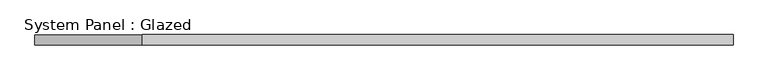
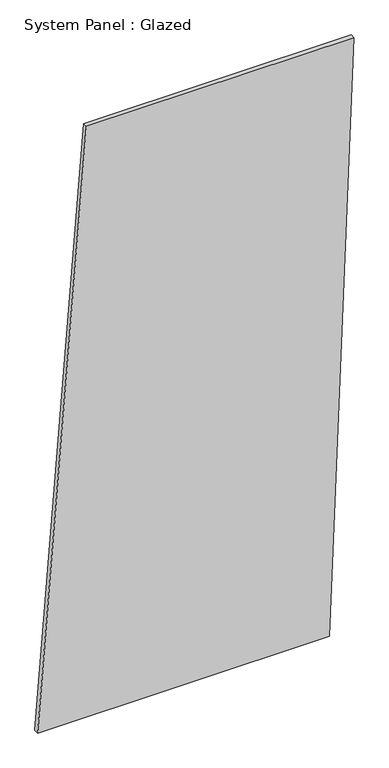
"""IFC4 building model written with IfcOpenShell, lengths in millimetres: plate geometry, System Panel : Glazed."""

from ifc_helpers import new_model, si_unit, frame, origin, place, context, project, spatial, polyline, outline, extrude, source, transform, mapped, element, save


def system_panel_glazed_f7552184(model_context):
    return source(origin(), model_context, "Body", "SweptSolid", [
        extrude(outline(polyline([(0.0, -844.9794091), (0.0, 714.7878765), (3332.1999183, 844.9794091), (3332.1999183, -584.596344), (0.0, -844.9794091)])), frame((0.0, -49.5, 0.0), z_axis=(0.0, 1.0, 0.0), x_axis=(0.0, 0.0, 1.0)), (0.0, 0.0, 1.0), 25.0),
    ])


if __name__ == "__main__":
    model = new_model("IFC4")
    model_context = context("Model", 3, world=origin())
    ifc_project = project(units=[si_unit("LENGTHUNIT", "METRE", prefix="MILLI")], contexts=[model_context])
    site = spatial("IfcSite", under=ifc_project)
    building = spatial("IfcBuilding", under=site)
    placement = place(None, origin())
    system_panel_glazed_shape = system_panel_glazed_f7552184(model_context)
    element("IfcPlate", 1, ObjectType="System Panel : Glazed", at=placement, inside=building, context=model_context, shape_type="MappedRepresentation", body=[
        mapped(system_panel_glazed_shape, transform((0.0, 0.0, 0.0), x_axis=(1.0, 0.0, 0.0), y_axis=(0.0, 1.0, 0.0), z_axis=(0.0, 0.0, 1.0))),
    ])
    save(model, "model.ifc")
